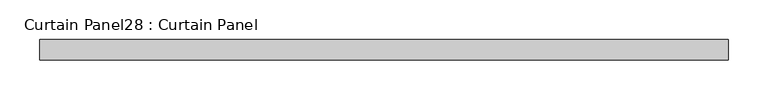
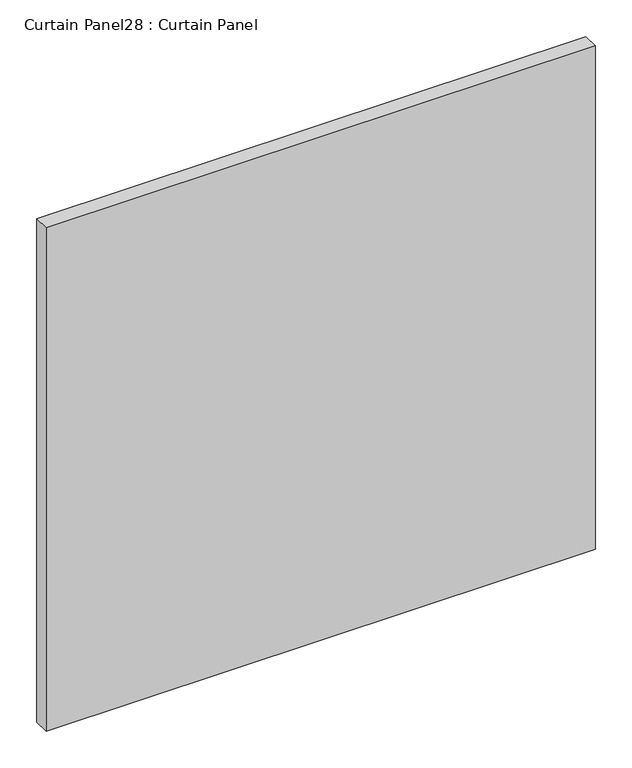
"""IFC4 building model written with IfcOpenShell, lengths in millimetres: plate geometry, Curtain Panel28 : Curtain Panel."""

from ifc_helpers import new_model, si_unit, frame, origin, place, context, project, spatial, polyline, outline, extrude, source, transform, mapped, element, save


def curtain_panel28_curtain_panel_972fc753(model_context):
    return source(origin(), model_context, "Body", "SweptSolid", [
        extrude(outline(polyline([(39480.753497, 2225.3654634), (38617.3006744, 2225.3654634), (38617.3006744, 2250.7654634), (39480.753497, 2250.7654634), (39480.753497, 2225.3654634)])), frame((0.0, 0.0, 1212.015703), z_axis=(0.0, 0.0, 1.0), x_axis=(1.0, 0.0, 0.0)), (0.0, 0.0, 1.0), 837.0873856),
    ])


if __name__ == "__main__":
    model = new_model("IFC4")
    model_context = context("Model", 3, world=origin())
    ifc_project = project(units=[si_unit("LENGTHUNIT", "METRE", prefix="MILLI")], contexts=[model_context])
    site = spatial("IfcSite", under=ifc_project)
    building = spatial("IfcBuilding", under=site)
    placement = place(None, origin())
    curtain_panel28_curtain_panel_shape = curtain_panel28_curtain_panel_972fc753(model_context)
    element("IfcPlate", 1, ObjectType="Curtain Panel28 : Curtain Panel", at=placement, inside=building, context=model_context, shape_type="MappedRepresentation", body=[
        mapped(curtain_panel28_curtain_panel_shape, transform((0.0, 0.0, 0.0), x_axis=(1.0, 0.0, 0.0), y_axis=(0.0, 1.0, 0.0), z_axis=(0.0, 0.0, 1.0))),
    ])
    save(model, "model.ifc")
